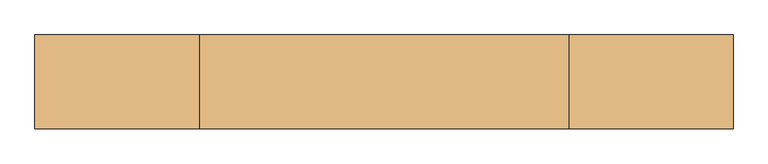
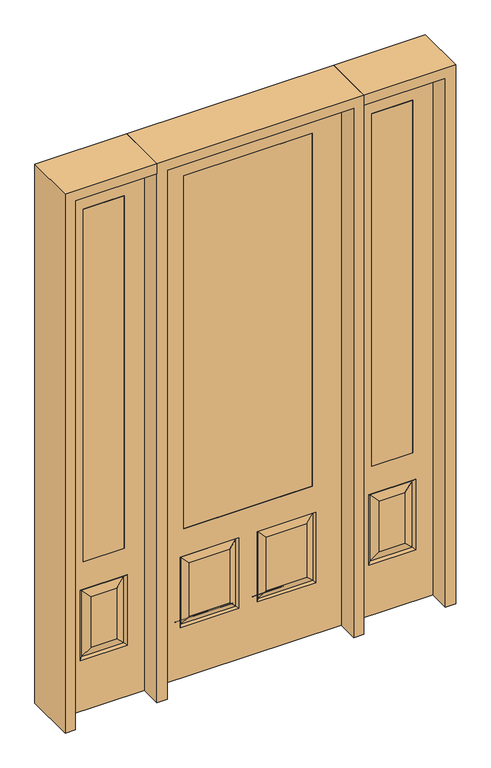
"""IFC4 building model written with IfcOpenShell, lengths in millimetres: door geometry."""

from ifc_helpers import new_model, si_unit, frame, origin, place, context, project, spatial, polyline, outline, extrude, faceted_brep, source, transform, mapped, element, save


def door_dd7ae0df(model_context):
    return source(origin(), model_context, "Body", "SolidModel", [
        extrude(outline(polyline([(539.75, -20.6375), (539.75, 20.6375), (717.55, 20.6375), (717.55, -20.6375), (539.75, -20.6375)])), frame((0.0, 0.0, 685.8), z_axis=(0.0, 0.0, 1.0), x_axis=(1.0, 0.0, 0.0)), (0.0, 0.0, 1.0), 1625.6),
        faceted_brep([(806.45, -20.6375, 0.0), (806.45, -20.6375, 2438.4), (450.85, -20.6375, 2438.4), (450.85, -20.6375, 0.0), (527.05, -20.6375, 234.95), (527.05, -20.6375, 558.8), (730.25, -20.6375, 558.8), (730.25, -20.6375, 234.95), (539.75, -20.6375, 685.8), (539.75, -20.6375, 2311.4), (717.55, -20.6375, 2311.4), (717.55, -20.6375, 685.8), (684.2125, -20.6375, 280.9875), (684.2125, -20.6375, 512.7625), (573.0875, -20.6375, 512.7625), (573.0875, -20.6375, 280.9875), (450.85, 20.6375, 0.0), (806.45, 20.6375, 0.0), (450.85, 20.6375, 2438.4), (806.45, 20.6375, 2438.4), (536.0302561, -11.6572439, 243.9302561), (721.2697439, -11.6572439, 243.9302561), (721.2697439, -11.6572439, 549.8197439), (536.0302561, -11.6572439, 549.8197439), (730.25, 20.6375, 234.95), (730.25, 20.6375, 558.8), (527.05, 20.6375, 558.8), (527.05, 20.6375, 234.95), (717.55, 20.6375, 685.8), (717.55, 20.6375, 2311.4), (539.75, 20.6375, 2311.4), (539.75, 20.6375, 685.8), (573.0875, 20.6375, 280.9875), (573.0875, 20.6375, 512.7625), (684.2125, 20.6375, 512.7625), (684.2125, 20.6375, 280.9875), (536.0302561, 11.6572439, 243.9302561), (721.2697439, 11.6572439, 243.9302561), (536.0302561, 11.6572439, 549.8197439), (721.2697439, 11.6572439, 549.8197439)], [[[0, 1, 2, 3], [4, 5, 6, 7], [8, 9, 10, 11]], [[12, 13, 14, 15]], [[3, 16, 17, 0]], [[2, 18, 16, 3]], [[0, 17, 19, 1]], [[20, 4, 7, 21]], [[7, 6, 22, 21]], [[6, 5, 23, 22]], [[20, 23, 5, 4]], [[21, 12, 15, 20]], [[15, 14, 23, 20]], [[22, 23, 14, 13]], [[21, 22, 13, 12]], [[17, 16, 18, 19], [24, 25, 26, 27], [28, 29, 30, 31]], [[32, 33, 34, 35]], [[24, 27, 36, 37]], [[27, 26, 38, 36]], [[39, 38, 26, 25]], [[37, 39, 25, 24]], [[36, 32, 35, 37]], [[35, 34, 39, 37]], [[34, 33, 38, 39]], [[36, 38, 33, 32]], [[1, 19, 18, 2]], [[8, 11, 28, 31]], [[11, 10, 29, 28]], [[31, 30, 9, 8]], [[30, 29, 10, 9]]]),
        extrude(outline(polyline([(-539.75, -20.6375), (-717.55, -20.6375), (-717.55, 20.6375), (-539.75, 20.6375), (-539.75, -20.6375)])), frame((0.0, 0.0, 685.8), z_axis=(0.0, 0.0, 1.0), x_axis=(1.0, 0.0, 0.0)), (0.0, 0.0, 1.0), 1625.6),
        faceted_brep([(-806.45, -20.6375, 0.0), (-450.85, -20.6375, 0.0), (-450.85, -20.6375, 2438.4), (-806.45, -20.6375, 2438.4), (-527.05, -20.6375, 234.95), (-730.25, -20.6375, 234.95), (-730.25, -20.6375, 558.8), (-527.05, -20.6375, 558.8), (-539.75, -20.6375, 685.8), (-717.55, -20.6375, 685.8), (-717.55, -20.6375, 2311.4), (-539.75, -20.6375, 2311.4), (-684.2125, -20.6375, 280.9875), (-573.0875, -20.6375, 280.9875), (-573.0875, -20.6375, 512.7625), (-684.2125, -20.6375, 512.7625), (-806.45, 20.6375, 0.0), (-450.85, 20.6375, 0.0), (-450.85, 20.6375, 2438.4), (-806.45, 20.6375, 2438.4), (-536.0302561, -11.6572439, 243.9302561), (-721.2697439, -11.6572439, 243.9302561), (-721.2697439, -11.6572439, 549.8197439), (-536.0302561, -11.6572439, 549.8197439), (-730.25, 20.6375, 234.95), (-527.05, 20.6375, 234.95), (-527.05, 20.6375, 558.8), (-730.25, 20.6375, 558.8), (-717.55, 20.6375, 685.8), (-539.75, 20.6375, 685.8), (-539.75, 20.6375, 2311.4), (-717.55, 20.6375, 2311.4), (-573.0875, 20.6375, 280.9875), (-684.2125, 20.6375, 280.9875), (-684.2125, 20.6375, 512.7625), (-573.0875, 20.6375, 512.7625), (-721.2697439, 11.6572439, 243.9302561), (-536.0302561, 11.6572439, 243.9302561), (-536.0302561, 11.6572439, 549.8197439), (-721.2697439, 11.6572439, 549.8197439)], [[[0, 1, 2, 3], [4, 5, 6, 7], [8, 9, 10, 11]], [[12, 13, 14, 15]], [[1, 0, 16, 17]], [[2, 1, 17, 18]], [[0, 3, 19, 16]], [[20, 21, 5, 4]], [[5, 21, 22, 6]], [[6, 22, 23, 7]], [[20, 4, 7, 23]], [[21, 20, 13, 12]], [[13, 20, 23, 14]], [[22, 15, 14, 23]], [[21, 12, 15, 22]], [[16, 19, 18, 17], [24, 25, 26, 27], [28, 29, 30, 31]], [[32, 33, 34, 35]], [[24, 36, 37, 25]], [[25, 37, 38, 26]], [[39, 27, 26, 38]], [[36, 24, 27, 39]], [[37, 36, 33, 32]], [[33, 36, 39, 34]], [[34, 39, 38, 35]], [[37, 32, 35, 38]], [[3, 2, 18, 19]], [[8, 29, 28, 9]], [[9, 28, 31, 10]], [[29, 8, 11, 30]], [[30, 11, 10, 31]]]),
        faceted_brep([(279.4, 20.6375, 685.8), (279.4, -20.6375, 685.8), (279.4, -20.6375, 2311.4), (279.4, 20.6375, 2311.4), (-279.4, 20.6375, 685.8), (-279.4, -20.6375, 685.8), (-80.1727627, 20.6375, 273.8477627), (-256.3772373, 20.6375, 273.8477627), (-256.3772373, 20.6375, 520.4102373), (-80.1727627, 20.6375, 520.4102373), (256.3772373, 20.6375, 273.8477627), (80.1727627, 20.6375, 273.8477627), (80.1727627, 20.6375, 520.4102373), (256.3772373, 20.6375, 520.4102373), (-406.4, 20.6375, 2438.4), (406.4, 20.6375, 2438.4), (406.4, 20.6375, 0.0), (-406.4, 20.6375, 0.0), (-279.4, 20.6375, 2311.4), (-295.275, 20.6375, 234.95), (-41.275, 20.6375, 234.95), (-41.275, 20.6375, 559.308), (-295.275, 20.6375, 559.308), (41.275, 20.6375, 234.95), (295.275, 20.6375, 234.95), (295.275, 20.6375, 559.308), (41.275, 20.6375, 559.308), (-279.4, -20.6375, 2311.4), (80.1727627, -20.6375, 273.8477627), (256.3772373, -20.6375, 273.8477627), (256.3772373, -20.6375, 520.4102373), (80.1727627, -20.6375, 520.4102373), (-256.3772373, -20.6375, 273.8477627), (-80.1727627, -20.6375, 273.8477627), (-80.1727627, -20.6375, 520.4102373), (-256.3772373, -20.6375, 520.4102373), (406.4, -20.6375, 2438.4), (-406.4, -20.6375, 2438.4), (-406.4, -20.6375, 0.0), (406.4, -20.6375, 0.0), (295.275, -20.6375, 234.95), (41.275, -20.6375, 234.95), (41.275, -20.6375, 559.308), (295.275, -20.6375, 559.308), (-41.275, -20.6375, 234.95), (-295.275, -20.6375, 234.95), (-295.275, -20.6375, 559.308), (-41.275, -20.6375, 559.308), (-287.8714647, 11.4399763, 242.3535353), (-48.6785353, 11.4399763, 242.3535353), (-48.6785353, 11.4399763, 551.9044647), (-287.8714647, 11.4399763, 551.9044647), (48.6785353, 11.4399763, 242.3535353), (287.8714647, 11.4399763, 242.3535353), (287.8714647, 11.4399763, 551.9044647), (48.6785353, 11.4399763, 551.9044647), (287.8714647, -11.4399763, 242.3535353), (48.6785353, -11.4399763, 242.3535353), (48.6785353, -11.4399763, 551.9044647), (287.8714647, -11.4399763, 551.9044647), (-48.6785353, -11.4399763, 242.3535353), (-287.8714647, -11.4399763, 242.3535353), (-287.8714647, -11.4399763, 551.9044647), (-48.6785353, -11.4399763, 551.9044647)], [[[0, 1, 2, 3]], [[1, 0, 4, 5]], [[6, 7, 8, 9]], [[10, 11, 12, 13]], [[14, 15, 16, 17], [4, 0, 3, 18], [19, 20, 21, 22], [23, 24, 25, 26]], [[5, 4, 18, 27]], [[28, 29, 30, 31]], [[32, 33, 34, 35]], [[36, 37, 38, 39], [1, 5, 27, 2], [40, 41, 42, 43], [44, 45, 46, 47]], [[39, 38, 17, 16]], [[37, 14, 17, 38]], [[15, 36, 39, 16]], [[19, 48, 49, 20]], [[20, 49, 50, 21]], [[51, 22, 21, 50]], [[48, 19, 22, 51]], [[49, 48, 7, 6]], [[7, 48, 51, 8]], [[8, 51, 50, 9]], [[49, 6, 9, 50]], [[52, 53, 24, 23]], [[24, 53, 54, 25]], [[25, 54, 55, 26]], [[52, 23, 26, 55]], [[53, 52, 11, 10]], [[11, 52, 55, 12]], [[54, 13, 12, 55]], [[53, 10, 13, 54]], [[40, 56, 57, 41]], [[41, 57, 58, 42]], [[59, 43, 42, 58]], [[56, 40, 43, 59]], [[57, 56, 29, 28]], [[29, 56, 59, 30]], [[30, 59, 58, 31]], [[57, 28, 31, 58]], [[60, 61, 45, 44]], [[45, 61, 62, 46]], [[46, 62, 63, 47]], [[60, 44, 47, 63]], [[61, 60, 33, 32]], [[33, 60, 63, 34]], [[62, 35, 34, 63]], [[61, 32, 35, 62]], [[3, 2, 27, 18]], [[36, 15, 14, 37]]]),
        extrude(outline(polyline([(279.4, -20.6375), (-279.4, -20.6375), (-279.4, 20.6375), (279.4, 20.6375), (279.4, -20.6375)])), frame((0.0, 0.0, 685.8), z_axis=(0.0, 0.0, 1.0), x_axis=(1.0, 0.0, 0.0)), (0.0, 0.0, 1.0), 1625.6),
        extrude(outline(polyline([(2438.4, -450.85), (2482.85, -450.85), (2482.85, -850.9), (0.0, -850.9), (0.0, -806.45), (2438.4, -806.45), (2438.4, -450.85)])), frame((0.0, -114.3, 0.0), z_axis=(0.0, 1.0, 0.0), x_axis=(0.0, 0.0, 1.0)), (0.0, 0.0, 1.0), 228.6),
        extrude(outline(polyline([(2482.85, -450.85), (0.0, -450.85), (0.0, -406.4), (2438.4, -406.4), (2438.4, 406.4), (0.0, 406.4), (0.0, 450.85), (2482.85, 450.85), (2482.85, -450.85)])), frame((0.0, -114.3, 0.0), z_axis=(0.0, 1.0, 0.0), x_axis=(0.0, 0.0, 1.0)), (0.0, 0.0, 1.0), 228.6),
        extrude(outline(polyline([(0.0, 806.45), (0.0, 850.9), (2482.85, 850.9), (2482.85, 450.85), (2438.4, 450.85), (2438.4, 806.45), (0.0, 806.45)])), frame((0.0, -114.3, 0.0), z_axis=(0.0, 1.0, 0.0), x_axis=(0.0, 0.0, 1.0)), (0.0, 0.0, 1.0), 228.6),
    ])


if __name__ == "__main__":
    model = new_model("IFC4")
    model_context = context("Model", 3, world=origin())
    ifc_project = project(units=[si_unit("LENGTHUNIT", "METRE", prefix="MILLI")], contexts=[model_context])
    site = spatial("IfcSite", under=ifc_project)
    building = spatial("IfcBuilding", under=site)
    placement = place(None, origin())
    door_shape = door_dd7ae0df(model_context)
    element("IfcDoor", 1, at=placement, inside=building, context=model_context, shape_type="MappedRepresentation", body=[
        mapped(door_shape, transform((0.0, 0.0, 0.0), x_axis=(1.0, 0.0, 0.0), y_axis=(0.0, 1.0, 0.0), z_axis=(0.0, 0.0, 1.0))),
    ])
    save(model, "model.ifc")
